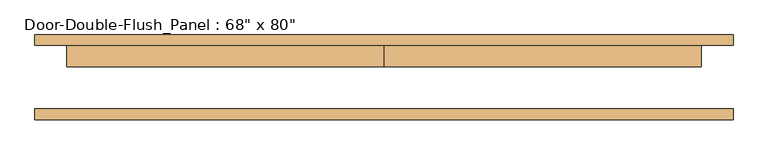
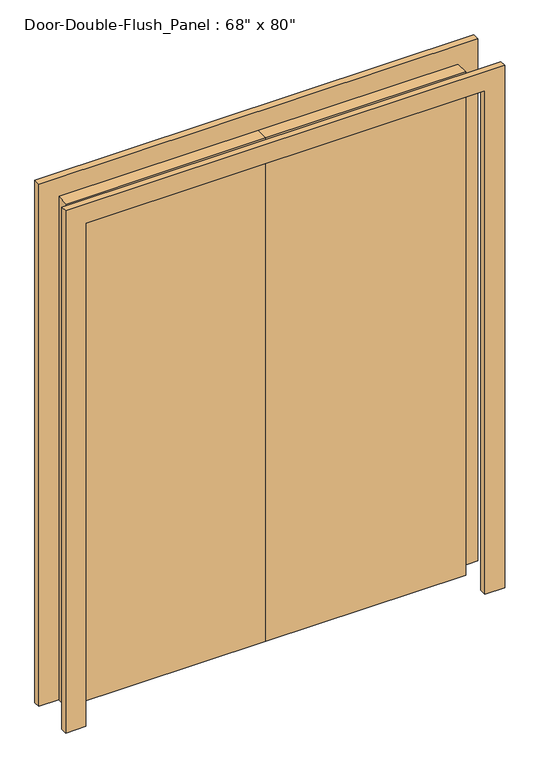
"""IFC4 building model written with IfcOpenShell, lengths in millimetres: door geometry."""

from ifc_helpers import new_model, si_unit, frame, origin, origin_with_axes, place, context, project, spatial, polyline, outline, extrude, source, transform, mapped, element, save


def door_a81096f8(model_context):
    return source(origin(), model_context, "Body", "SweptSolid", [
        extrude(outline(polyline([(2032.0, -762.0), (2032.0, 762.0), (0.0, 762.0), (0.0, 838.2), (2108.2, 838.2), (2108.2, -838.2), (0.0, -838.2), (0.0, -762.0), (2032.0, -762.0)])), frame((0.0, -101.6, 0.0), z_axis=(0.0, 1.0, 0.0), x_axis=(0.0, 0.0, 1.0)), (0.0, 0.0, 1.0), 25.4),
        extrude(outline(polyline([(2032.0, -762.0), (2032.0, 762.0), (0.0, 762.0), (0.0, 838.2), (2108.2, 838.2), (2108.2, -838.2), (0.0, -838.2), (0.0, -762.0), (2032.0, -762.0)])), frame((0.0, 76.2, 0.0), z_axis=(0.0, 1.0, 0.0), x_axis=(0.0, 0.0, 1.0)), (0.0, 0.0, 1.0), 25.4),
        extrude(outline(polyline([(0.0, 76.2), (762.0, 76.2), (762.0, 25.4), (0.0, 25.4), (0.0, 76.2)])), origin_with_axes(), (0.0, 0.0, 1.0), 2032.0),
        extrude(outline(polyline([(-762.0, 76.2), (0.0, 76.2), (0.0, 25.4), (-762.0, 25.4), (-762.0, 76.2)])), origin_with_axes(), (0.0, 0.0, 1.0), 2032.0),
    ])


if __name__ == "__main__":
    model = new_model("IFC4")
    model_context = context("Model", 3, world=origin())
    ifc_project = project(units=[si_unit("LENGTHUNIT", "METRE", prefix="MILLI")], contexts=[model_context])
    site = spatial("IfcSite", under=ifc_project)
    building = spatial("IfcBuilding", under=site)
    placement = place(None, origin())
    door_shape = door_a81096f8(model_context)
    element("IfcDoor", 1, ObjectType="Door-Double-Flush_Panel : 68\" x 80\"", at=placement, inside=building, context=model_context, shape_type="MappedRepresentation", body=[
        mapped(door_shape, transform((0.0, 0.0, 0.0), x_axis=(1.0, 0.0, 0.0), y_axis=(0.0, 1.0, 0.0), z_axis=(0.0, 0.0, 1.0))),
    ])
    save(model, "model.ifc")
